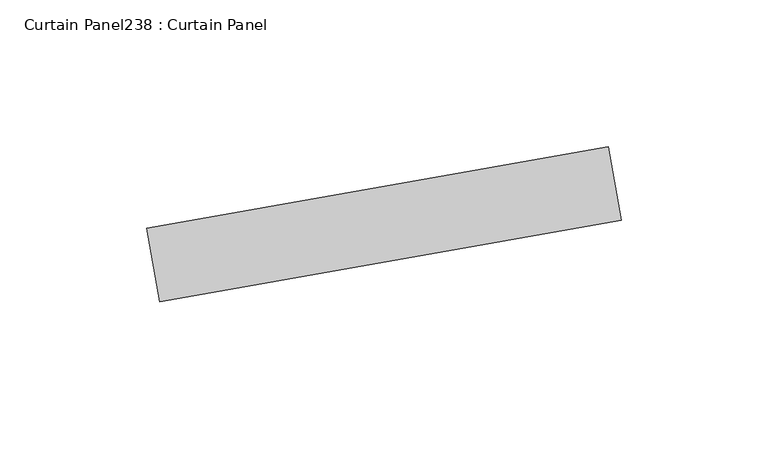
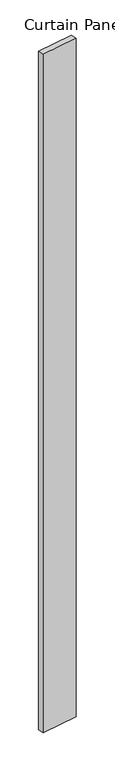
"""IFC4 building model written with IfcOpenShell, lengths in millimetres: plate geometry, Curtain Panel238 : Curtain Panel."""

from ifc_helpers import new_model, si_unit, frame, origin, place, context, project, spatial, polyline, outline, extrude, source, transform, mapped, element, save


def curtain_panel238_curtain_panel_afa359ba(model_context):
    return source(origin(), model_context, "Body", "SweptSolid", [
        extrude(outline(polyline([(645104.6801653, 2155.3424964), (645261.9140778, 2183.0670774), (645266.3247415, 2158.0529605), (645109.090829, 2130.3283794), (645104.6801653, 2155.3424964)])), frame((0.0, 0.0, 4959.7989371), z_axis=(0.0, 0.0, 1.0), x_axis=(1.0, 0.0, 0.0)), (0.0, 0.0, 1.0), 3048.0),
    ])


if __name__ == "__main__":
    model = new_model("IFC4")
    model_context = context("Model", 3, world=origin())
    ifc_project = project(units=[si_unit("LENGTHUNIT", "METRE", prefix="MILLI")], contexts=[model_context])
    site = spatial("IfcSite", under=ifc_project)
    building = spatial("IfcBuilding", under=site)
    placement = place(None, origin())
    curtain_panel238_curtain_panel_shape = curtain_panel238_curtain_panel_afa359ba(model_context)
    element("IfcPlate", 1, ObjectType="Curtain Panel238 : Curtain Panel", at=placement, inside=building, context=model_context, shape_type="MappedRepresentation", body=[
        mapped(curtain_panel238_curtain_panel_shape, transform((0.0, 0.0, 0.0), x_axis=(1.0, 0.0, 0.0), y_axis=(0.0, 1.0, 0.0), z_axis=(0.0, 0.0, 1.0))),
    ])
    save(model, "model.ifc")
